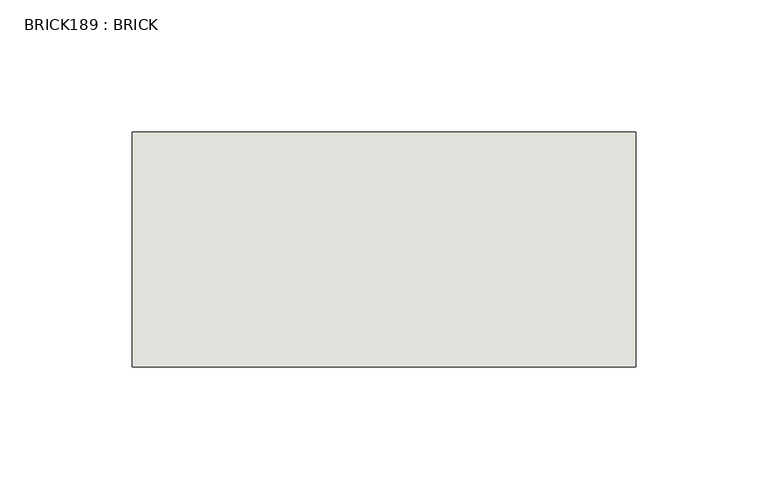
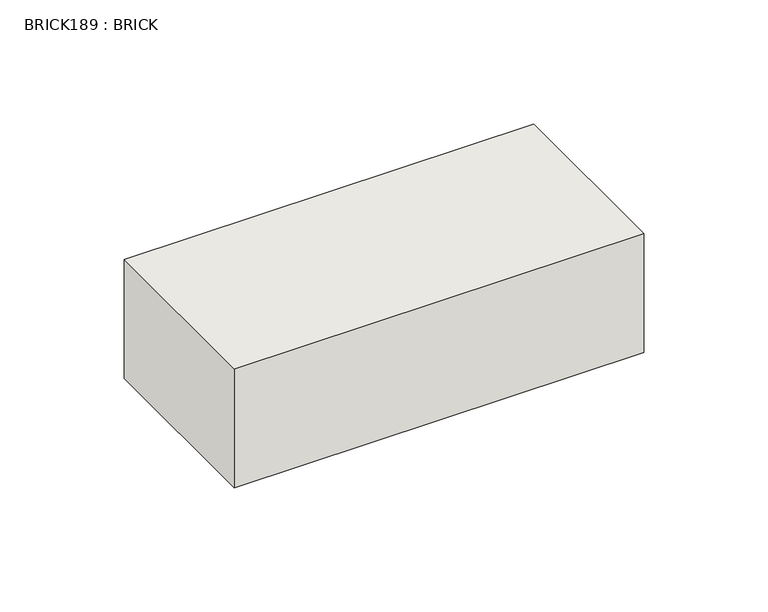
"""IFC4 building model written with IfcOpenShell, lengths in millimetres: wall geometry, BRICK189 : BRICK."""

from ifc_helpers import new_model, si_unit, frame, origin, place, context, project, spatial, polyline, outline, extrude, source, transform, mapped, element, save


def brick189_brick_3e334d10(model_context):
    return source(origin(), model_context, "Body", "SweptSolid", [
        extrude(outline(polyline([(-565.5316239, 3062.3923312), (-375.0316239, 3062.3923312), (-375.0316239, 2973.4923312), (-565.5316239, 2973.4923312), (-565.5316239, 3062.3923312)])), frame((0.0, 0.0, 214.0148438), z_axis=(0.0, 0.0, 1.0), x_axis=(1.0, 0.0, 0.0)), (0.0, 0.0, 1.0), 58.4398437),
    ])


if __name__ == "__main__":
    model = new_model("IFC4")
    model_context = context("Model", 3, world=origin())
    ifc_project = project(units=[si_unit("LENGTHUNIT", "METRE", prefix="MILLI")], contexts=[model_context])
    site = spatial("IfcSite", under=ifc_project)
    building = spatial("IfcBuilding", under=site)
    placement = place(None, origin())
    brick189_brick_shape = brick189_brick_3e334d10(model_context)
    element("IfcWall", 1, ObjectType="BRICK189 : BRICK", at=placement, inside=building, context=model_context, shape_type="MappedRepresentation", body=[
        mapped(brick189_brick_shape, transform((0.0, 0.0, 0.0), x_axis=(1.0, 0.0, 0.0), y_axis=(0.0, 1.0, 0.0), z_axis=(0.0, 0.0, 1.0))),
    ])
    save(model, "model.ifc")
